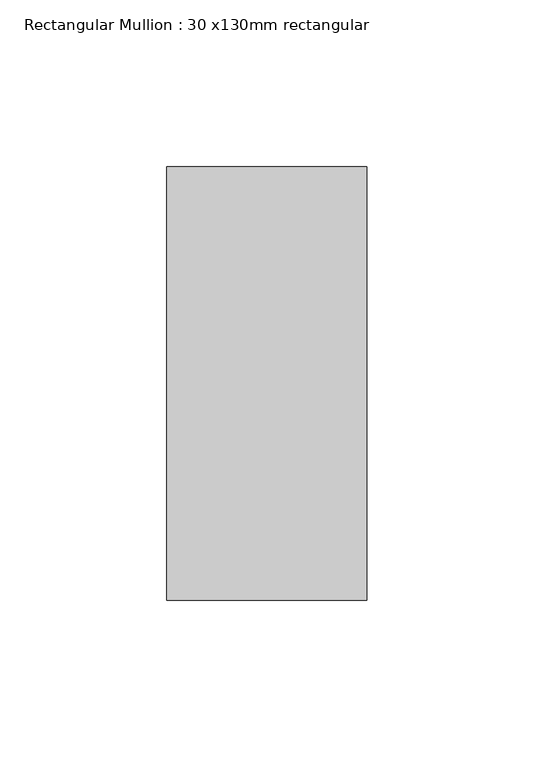
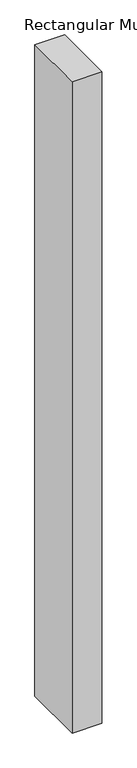
"""IFC4 building model written with IfcOpenShell, lengths in millimetres: member geometry, Rectangular Mullion : 30 x130mm rectangular."""

from ifc_helpers import new_model, si_unit, frame, origin, place, context, project, spatial, polyline, outline, extrude, source, transform, mapped, element, save


def rectangular_mullion_30_x130mm_rectangular_e56be3d0(model_context):
    return source(origin(), model_context, "Body", "SweptSolid", [
        extrude(outline(polyline([(0.0, 65.0), (0.0, -65.0), (-60.0, -65.0), (-60.0, 65.0), (0.0, 65.0)])), frame((0.0, 0.0, -1390.6666667), z_axis=(0.0, 0.0, 1.0), x_axis=(1.0, 0.0, 0.0)), (0.0, 0.0, 1.0), 1390.6666667),
    ])


if __name__ == "__main__":
    model = new_model("IFC4")
    model_context = context("Model", 3, world=origin())
    ifc_project = project(units=[si_unit("LENGTHUNIT", "METRE", prefix="MILLI")], contexts=[model_context])
    site = spatial("IfcSite", under=ifc_project)
    building = spatial("IfcBuilding", under=site)
    placement = place(None, origin())
    rectangular_mullion_30_x130mm_rectangular_shape = rectangular_mullion_30_x130mm_rectangular_e56be3d0(model_context)
    element("IfcMember", 1, ObjectType="Rectangular Mullion : 30 x130mm rectangular", at=placement, inside=building, context=model_context, shape_type="MappedRepresentation", body=[
        mapped(rectangular_mullion_30_x130mm_rectangular_shape, transform((0.0, 0.0, 0.0), x_axis=(1.0, 0.0, 0.0), y_axis=(0.0, 1.0, 0.0), z_axis=(0.0, 0.0, 1.0))),
    ])
    save(model, "model.ifc")
